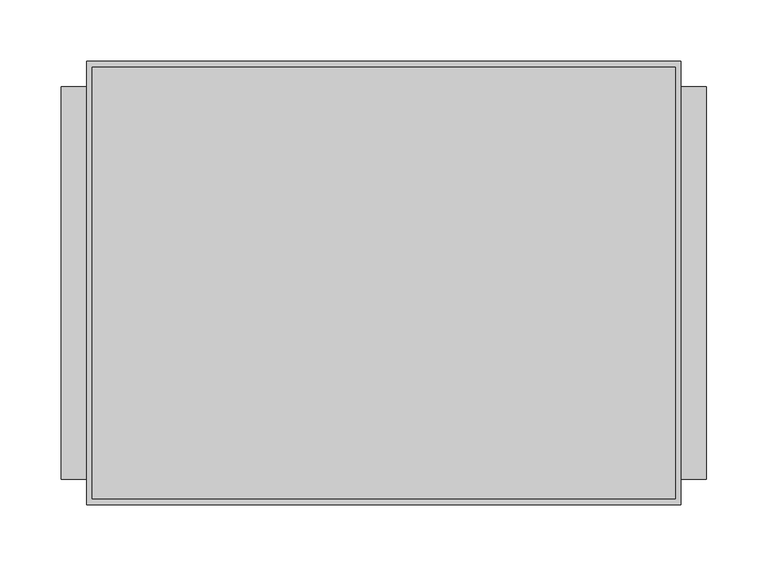
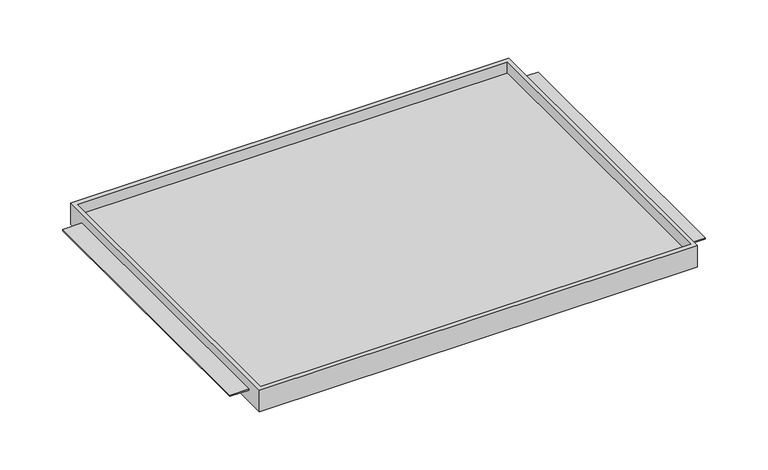
"""IFC4 building model written with IfcOpenShell, lengths in millimetres: furniture geometry."""

import ifcopenshell
import ifcopenshell.guid

model = None  # the IFC model being written
_history = None  # IfcOwnerHistory: only IFC2X3 demands one
_inside = {}  # id of a spatial element -> (the spatial element, [elements in it])
_under = {}  # id of a project, library or spatial element -> (it, [spatial elements below it])
_declared = {}  # id of a project -> (the project, [libraries it declares])
_typed = {}  # id of a type object -> (the type object, [elements of that type])
_made_of = {}  # id of a material, layer set ... -> (it, [elements and type objects made of it])


def new_model(schema):
    """Start an empty IFC model of exactly this schema.

    Asked for "IFC4X3", IfcOpenShell would pick the latest addendum, in which some entities
    have other attributes; the version numbers below select the first issue.
    IFC2X3 requires an IfcOwnerHistory on every rooted entity: one is made here for all.
    """
    global model, _history
    if schema == "IFC4X3":
        model = ifcopenshell.file(schema_version=(4, 3, 0, 0))
    else:
        model = ifcopenshell.file(schema=schema)
    _inside.clear()
    _under.clear()
    _declared.clear()
    _typed.clear()
    _made_of.clear()
    _history = None
    if model.schema == "IFC2X3":
        org = make("IfcOrganization", Name="unknown")
        user = make(
            "IfcPersonAndOrganization",
            ThePerson=make("IfcPerson", FamilyName="unknown"),
            TheOrganization=org,
        )
        app = make(
            "IfcApplication",
            ApplicationDeveloper=org,
            Version="unknown",
            ApplicationFullName="unknown",
            ApplicationIdentifier="unknown",
        )
        _history = make(
            "IfcOwnerHistory",
            OwningUser=user,
            OwningApplication=app,
            ChangeAction="ADDED",
            CreationDate=0,
        )
    return model


def make(cls, **values):
    """One entity of the class cls with the attributes given. An attribute that is None is left unset."""
    return model.create_entity(
        cls, **{name: value for name, value in values.items() if value is not None}
    )


def rooted(cls, **values):
    """An entity with a GlobalId (a new one), such as an element, a storey or a relation."""
    return make(cls, GlobalId=ifcopenshell.guid.new(), OwnerHistory=_history, **values)


def si_unit(unit_type, name, prefix=None):
    """IfcSIUnit, for example si_unit("LENGTHUNIT", "METRE", prefix="MILLI")."""
    return make("IfcSIUnit", UnitType=unit_type, Prefix=prefix, Name=name)


def assignment(units):
    """IfcUnitAssignment: the units of a project."""
    return None if units is None else make("IfcUnitAssignment", Units=units)


def point(xyz):
    """IfcCartesianPoint."""
    return None if xyz is None else make("IfcCartesianPoint", Coordinates=xyz)


def direction(xyz):
    """IfcDirection."""
    return None if xyz is None else make("IfcDirection", DirectionRatios=xyz)


def frame(location, z_axis=None, x_axis=None):
    """IfcAxis2Placement3D, a coordinate frame: its origin and axes. An axis left out is left unset."""
    return make(
        "IfcAxis2Placement3D",
        Location=point(location),
        Axis=direction(z_axis),
        RefDirection=direction(x_axis),
    )


def origin():
    """The frame at (0, 0, 0) with its axes left unset."""
    return frame((0.0, 0.0, 0.0))


def place(relative_to, where):
    """IfcLocalPlacement: puts the frame where relative to a parent placement (None: the world)."""
    return make(
        "IfcLocalPlacement", PlacementRelTo=relative_to, RelativePlacement=where
    )


def context(
    kind, dimensions, precision=None, world=None, true_north=None, identifier=None
):
    """IfcGeometricRepresentationContext, for example the 3D "Model" context."""
    return make(
        "IfcGeometricRepresentationContext",
        ContextIdentifier=identifier,
        ContextType=kind,
        CoordinateSpaceDimension=dimensions,
        Precision=precision,
        WorldCoordinateSystem=world,
        TrueNorth=true_north,
    )


def project(units=None, contexts=None):
    """IfcProject with its units and contexts."""
    return rooted(
        "IfcProject",
        Name="project",
        RepresentationContexts=contexts,
        UnitsInContext=assignment(units),
    )


def spatial(cls, under=None, at=None, **own):
    """A site, building, storey or space (cls), placed at a placement, below another one or the project."""
    s = rooted(cls, ObjectPlacement=at, **own)
    if under is not None:
        _under.setdefault(under.id(), (under, []))[1].append(s)
    return s


def faces_of(points, faces, orient=None, outer=None):
    """IfcFace entities. A face is a list of loops; a loop is a list of indices into points, from 0.

    orient and outer hold one flag for each loop. By default every Orientation is true, the
    first loop of a face is its IfcFaceOuterBound and the others are IfcFaceBound.
    """
    made = []
    for i, loops in enumerate(faces):
        bounds = []
        for j, loop in enumerate(loops):
            is_outer = j == 0 if outer is None else outer[i][j]
            bounds.append(
                make(
                    "IfcFaceOuterBound" if is_outer else "IfcFaceBound",
                    Bound=make("IfcPolyLoop", Polygon=[points[k] for k in loop]),
                    Orientation=True if orient is None else orient[i][j],
                )
            )
        made.append(make("IfcFace", Bounds=bounds))
    return made


def faceted_brep(points, faces, orient=None, outer=None, voids=None):
    """IfcFacetedBrep: a solid bounded by flat faces; with voids (closed shells), ...WithVoids."""
    shared = [point(p) for p in points]
    hull = make("IfcClosedShell", CfsFaces=faces_of(shared, faces, orient, outer))
    if voids is None:
        return make("IfcFacetedBrep", Outer=hull)
    return make(
        "IfcFacetedBrepWithVoids",
        Outer=hull,
        Voids=[
            make(cls, CfsFaces=faces_of(shared, fs, o, b)) for cls, fs, o, b in voids
        ],
    )


def shape(context_of_items, identifier, shape_type, items):
    """IfcShapeRepresentation: the items that make up one representation, for example the "Body"."""
    return make(
        "IfcShapeRepresentation",
        ContextOfItems=context_of_items,
        RepresentationIdentifier=identifier,
        RepresentationType=shape_type,
        Items=items,
    )


def source(mapping_origin, context_of_items, identifier, shape_type, items):
    """IfcRepresentationMap: a shape defined once, which mapped items show again and again."""
    return make(
        "IfcRepresentationMap",
        MappingOrigin=mapping_origin,
        MappedRepresentation=shape(context_of_items, identifier, shape_type, items),
    )


def transform(
    local_origin,
    x_axis=None,
    y_axis=None,
    z_axis=None,
    scale=None,
    scale2=None,
    scale3=None,
    uniform=True,
):
    """IfcCartesianTransformationOperator3D, or its non-uniform kind. x_axis, y_axis, z_axis: its Axis1, 2, 3."""
    if uniform:
        return make(
            "IfcCartesianTransformationOperator3D",
            Axis1=direction(x_axis),
            Axis2=direction(y_axis),
            LocalOrigin=point(local_origin),
            Scale=scale,
            Axis3=direction(z_axis),
        )
    return make(
        "IfcCartesianTransformationOperator3DnonUniform",
        Axis1=direction(x_axis),
        Axis2=direction(y_axis),
        LocalOrigin=point(local_origin),
        Scale=scale,
        Axis3=direction(z_axis),
        Scale2=scale2,
        Scale3=scale3,
    )


def mapped(mapping_source, mapping_target):
    """IfcMappedItem: shows the shape of a source again, moved by a transform."""
    return make(
        "IfcMappedItem", MappingSource=mapping_source, MappingTarget=mapping_target
    )


def made_of(thing, what):
    """Note that an element or type object is made of a material, layer set ...; save() writes the relation."""
    if what is not None:
        _made_of.setdefault(what.id(), (what, []))[1].append(thing)
    return thing


def element(
    cls,
    number,
    at=None,
    inside=None,
    cuts=None,
    type_object=None,
    material=None,
    context=None,
    identifier="Body",
    shape_type=None,
    held_by="IfcProductDefinitionShape",
    body=None,
    shapes=None,
    **own,
):
    """One element of the class cls, such as IfcWall. Its Tag is "e" and its number.

    at: its placement. inside: the storey or other place that contains it. cuts: it is an
    opening in that element (IfcRelVoidsElement). A single representation is given by context,
    identifier, shape_type and body (its items); several are given by shapes. held_by: the class
    of the entity that holds the representations. save() writes the other relations.
    """
    e = rooted(cls, Tag="e%d" % number, ObjectPlacement=at, **own)
    if body is not None:
        shapes = [shape(context, identifier, shape_type, body)]
    if shapes is not None:
        e.Representation = make(held_by, Representations=shapes)
    if inside is not None:
        _inside.setdefault(inside.id(), (inside, []))[1].append(e)
    if cuts is not None:
        rooted(
            "IfcRelVoidsElement", RelatingBuildingElement=cuts, RelatedOpeningElement=e
        )
    if type_object is not None:
        _typed.setdefault(type_object.id(), (type_object, []))[1].append(e)
    return made_of(e, material)


def aggregate(whole, parts):
    """IfcRelAggregates: a whole, such as a stair, and the parts it consists of."""
    return rooted("IfcRelAggregates", RelatingObject=whole, RelatedObjects=parts)


def save(model, path):
    """Write the relations noted so far, then the file.

    IfcRelAggregates (storeys below a building ...), IfcRelContainedInSpatialStructure (elements
    in a storey), IfcRelDefinesByType, IfcRelAssociatesMaterial and IfcRelDeclares: one each for
    every whole, place, type object, material and project.
    """
    for whole, parts in _under.values():
        aggregate(whole, parts)
    for where, things in _inside.values():
        rooted(
            "IfcRelContainedInSpatialStructure",
            RelatedElements=things,
            RelatingStructure=where,
        )
    for kind, things in _typed.values():
        rooted("IfcRelDefinesByType", RelatedObjects=things, RelatingType=kind)
    for what, things in _made_of.values():
        rooted("IfcRelAssociatesMaterial", RelatedObjects=things, RelatingMaterial=what)
    for by, libraries in _declared.values():
        rooted("IfcRelDeclares", RelatingContext=by, RelatedDefinitions=libraries)
    model.write(path)


def furniture_44e9b074(model_context):
    return source(origin(), model_context, "Body", "Brep", [
        faceted_brep([(-242.7689646, -180.975, 1409.6111), (242.7689646, -180.975, 1409.6111), (242.7689646, -180.975, 1435.0111), (-242.7689646, -180.975, 1435.0111), (-242.7689646, 180.975, 1409.6111), (-242.7689646, 180.975, 1435.0111), (242.7689646, 180.975, 1435.0111), (242.7689646, 180.975, 1409.6111), (242.7689646, -160.3374879, 1423.9113), (242.7689646, 160.3374879, 1423.9113), (242.7689646, 160.3374879, 1422.3111), (242.7689646, -160.3374879, 1422.3111), (238.125, -176.2125, 1435.0111), (-238.125, -176.2125, 1435.0111), (-238.125, 175.91278, 1435.0111), (238.125, 175.91278, 1435.0111), (-242.7689646, 160.3374879, 1423.9113), (-242.7689646, -160.3374879, 1423.9113), (-242.7689646, -160.3374879, 1422.3111), (-242.7689646, 160.3374879, 1422.3111), (-238.125, -176.2125, 1422.3111), (238.125, -176.2125, 1422.3111), (238.125, 175.91278, 1422.3111), (-238.125, 175.91278, 1422.3111), (-263.525, 160.3374879, 1423.9113), (-263.525, -160.3374879, 1423.9113), (263.525, -160.3374879, 1423.9113), (263.525, 160.3374879, 1423.9113), (-263.525, -160.3374879, 1422.3111), (-263.525, 160.3374879, 1422.3111), (263.525, -160.3374879, 1422.3111), (263.525, 160.3374879, 1422.3111)], [[[0, 1, 2, 3]], [[4, 5, 6, 7]], [[1, 0, 4, 7]], [[2, 1, 7, 6], [8, 9, 10, 11]], [[3, 2, 6, 5], [12, 13, 14, 15]], [[0, 3, 5, 4], [16, 17, 18, 19]], [[20, 21, 22, 23]], [[21, 20, 13, 12]], [[22, 21, 12, 15]], [[23, 22, 15, 14]], [[20, 23, 14, 13]], [[16, 24, 25, 17]], [[26, 27, 9, 8]], [[18, 28, 29, 19]], [[30, 11, 10, 31]], [[24, 16, 19, 29]], [[25, 24, 29, 28]], [[17, 25, 28, 18]], [[27, 26, 30, 31]], [[9, 27, 31, 10]], [[26, 8, 11, 30]]]),
    ])


if __name__ == "__main__":
    model = new_model("IFC4")
    model_context = context("Model", 3, world=origin())
    ifc_project = project(units=[si_unit("LENGTHUNIT", "METRE", prefix="MILLI")], contexts=[model_context])
    site = spatial("IfcSite", under=ifc_project)
    building = spatial("IfcBuilding", under=site)
    placement = place(None, origin())
    furniture_shape = furniture_44e9b074(model_context)
    element("IfcFurniture", 1, at=placement, inside=building, context=model_context, shape_type="MappedRepresentation", body=[
        mapped(furniture_shape, transform((0.0, 0.0, 0.0), x_axis=(1.0, 0.0, 0.0), y_axis=(0.0, 1.0, 0.0), z_axis=(0.0, 0.0, 1.0))),
    ])
    save(model, "model.ifc")
